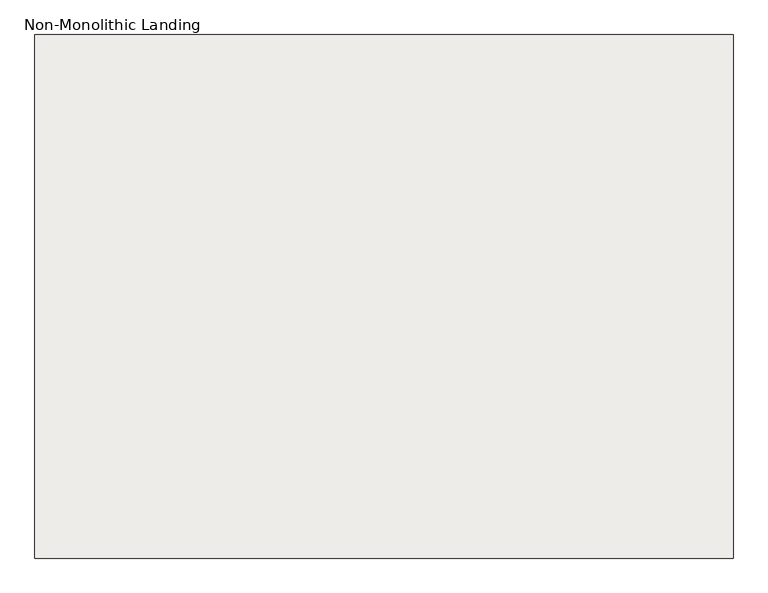
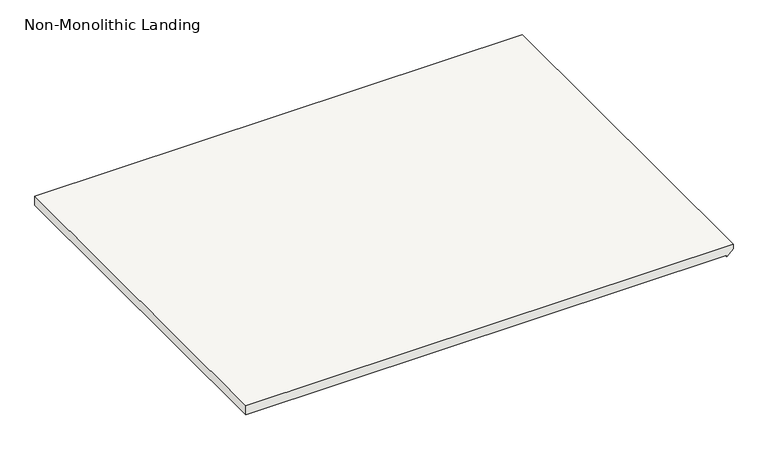
"""IFC4 building model written with IfcOpenShell, lengths in millimetres: slab geometry, Non-Monolithic Landing."""

from ifc_helpers import new_model, si_unit, origin, place, context, project, spatial, faceted_brep, source, transform, mapped, element, save


def non_monolithic_landing_b0d5f88e(model_context):
    return source(origin(), model_context, "Body", "Brep", [
        faceted_brep([(16778.7243946, 9894.9302658, 4064.7619048), (14778.7264359, 9894.9302658, 4064.7619048), (14778.7264359, 8394.9304572, 4064.7619048), (16778.7243946, 8394.9304572, 4064.7619048), (16778.7243946, 9894.9302658, 4026.7619048), (16778.7243946, 9606.9304572, 4026.7619048), (16759.7743946, 9606.9304572, 4026.7619048), (16753.3243946, 9606.9304572, 4026.7619048), (16753.3243946, 8394.9304572, 4026.7619048), (14778.7264359, 8394.9304572, 4026.7619048), (14778.7264359, 9894.9302658, 4026.7619048), (16753.3243946, 8394.9304572, 4020.3119048), (16778.7243946, 8394.9304572, 4045.7119048), (16778.7243946, 9606.9304572, 4045.7119048), (16753.3243946, 9606.9304572, 4020.3119048)], [[[0, 1, 2, 3]], [[4, 5, 6, 7, 8, 9, 10]], [[2, 1, 10, 9]], [[3, 2, 9, 8, 11, 12]], [[1, 0, 4, 10]], [[0, 3, 12, 13, 5, 4]], [[6, 5, 13]], [[14, 7, 6]], [[12, 11, 14, 6, 13]], [[14, 11, 8, 7]]]),
    ])


if __name__ == "__main__":
    model = new_model("IFC4")
    model_context = context("Model", 3, world=origin())
    ifc_project = project(units=[si_unit("LENGTHUNIT", "METRE", prefix="MILLI")], contexts=[model_context])
    site = spatial("IfcSite", under=ifc_project)
    building = spatial("IfcBuilding", under=site)
    placement = place(None, origin())
    non_monolithic_landing_shape = non_monolithic_landing_b0d5f88e(model_context)
    element("IfcSlab", 1, ObjectType="Non-Monolithic Landing", at=placement, inside=building, context=model_context, shape_type="MappedRepresentation", body=[
        mapped(non_monolithic_landing_shape, transform((0.0, 0.0, 0.0), x_axis=(1.0, 0.0, 0.0), y_axis=(0.0, 1.0, 0.0), z_axis=(0.0, 0.0, 1.0))),
    ])
    save(model, "model.ifc")
